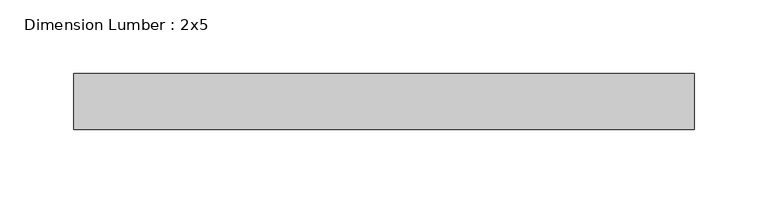
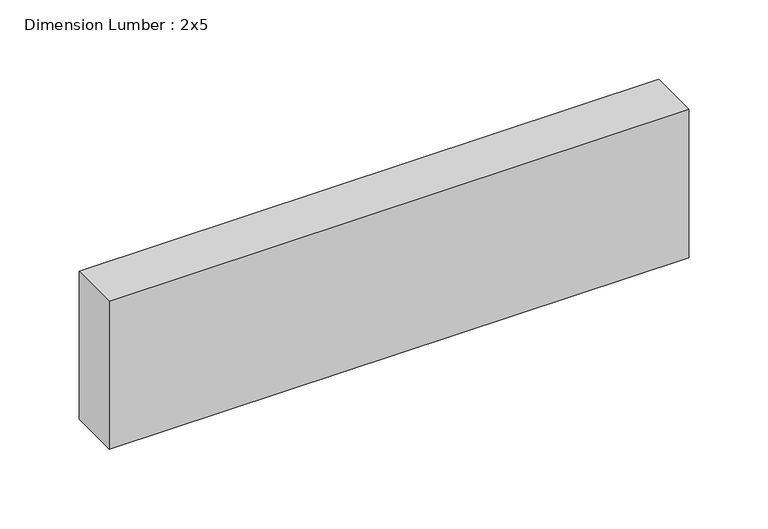
"""IFC4 building model written with IfcOpenShell, lengths in millimetres: beam geometry, Dimension Lumber : 2x5."""

from ifc_helpers import new_model, si_unit, frame, origin, place, context, project, spatial, polyline, outline, extrude, source, transform, mapped, element, save


def dimension_lumber_2x5_6d09401d(model_context):
    return source(origin(), model_context, "Body", "SweptSolid", [
        extrude(outline(polyline([(212.8654559, 19.05), (212.8654559, -19.05), (-209.4240339, -19.05), (-209.4240339, 19.05), (212.8654559, 19.05)])), frame((0.0, 0.0, -57.15), z_axis=(0.0, 0.0, 1.0), x_axis=(1.0, 0.0, 0.0)), (0.0, 0.0, 1.0), 114.3),
    ])


if __name__ == "__main__":
    model = new_model("IFC4")
    model_context = context("Model", 3, world=origin())
    ifc_project = project(units=[si_unit("LENGTHUNIT", "METRE", prefix="MILLI")], contexts=[model_context])
    site = spatial("IfcSite", under=ifc_project)
    building = spatial("IfcBuilding", under=site)
    placement = place(None, origin())
    dimension_lumber_2x5_shape = dimension_lumber_2x5_6d09401d(model_context)
    element("IfcBeam", 1, ObjectType="Dimension Lumber : 2x5", at=placement, inside=building, context=model_context, shape_type="MappedRepresentation", body=[
        mapped(dimension_lumber_2x5_shape, transform((0.0, 0.0, 0.0), x_axis=(1.0, 0.0, 0.0), y_axis=(0.0, 1.0, 0.0), z_axis=(0.0, 0.0, 1.0))),
    ])
    save(model, "model.ifc")
